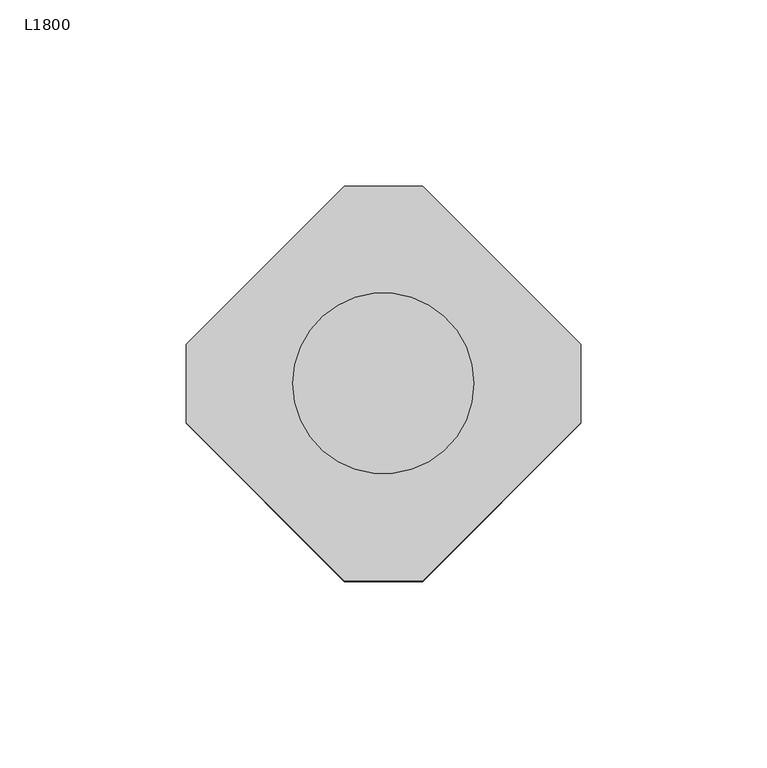
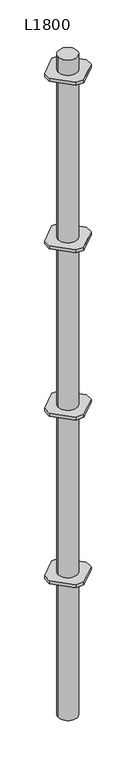
"""IFC4 building model written with IfcOpenShell, lengths in millimetres: proxy geometry, L1800."""

from ifc_helpers import new_model, si_unit, point, frame, origin, origin_with_axes, origin_2d, place, context, project, spatial, polyline, circle_curve, trimmed, segment, composite_curve, outline, extrude, source, transform, mapped, element, save


def l1800_95f7a7d6(model_context):
    return source(origin(), model_context, "Body", "SweptSolid", [
        extrude(outline(polyline([(10.5, 53.0), (53.0, 10.5), (53.0, -10.5), (10.5, -53.0), (-10.5, -53.0), (-53.0, -10.5), (-53.0, 10.5), (-10.5, 53.0), (10.5, 53.0)]), holes=[composite_curve([segment(trimmed(circle_curve(origin_2d(), 24.3), [point((-24.3, 0.0))], [point((24.3, 0.0))], True, "CARTESIAN"), True, "CONTINUOUS"), segment(trimmed(circle_curve(origin_2d(), 24.3), [point((24.3, 0.0))], [point((-24.3, 0.0))], True, "CARTESIAN"), True, "CONTINUOUS")], self_intersect=False)]), frame((0.0, 0.0, 1726.0), z_axis=(0.0, 0.0, 1.0), x_axis=(1.0, 0.0, 0.0)), (0.0, 0.0, 1.0), 8.0),
        extrude(outline(polyline([(10.5, 53.0), (53.0, 10.5), (53.0, -10.5), (10.5, -53.0), (-10.5, -53.0), (-53.0, -10.5), (-53.0, 10.5), (-10.5, 53.0), (10.5, 53.0)]), holes=[composite_curve([segment(trimmed(circle_curve(origin_2d(), 24.3), [point((-24.3, 0.0))], [point((24.3, 0.0))], True, "CARTESIAN"), True, "CONTINUOUS"), segment(trimmed(circle_curve(origin_2d(), 24.3), [point((24.3, 0.0))], [point((-24.3, 0.0))], True, "CARTESIAN"), True, "CONTINUOUS")], self_intersect=False)]), frame((0.0, 0.0, 1276.0), z_axis=(0.0, 0.0, 1.0), x_axis=(1.0, 0.0, 0.0)), (0.0, 0.0, 1.0), 8.0),
        extrude(outline(polyline([(10.5, 53.0), (53.0, 10.5), (53.0, -10.5), (10.5, -53.0), (-10.5, -53.0), (-53.0, -10.5), (-53.0, 10.5), (-10.5, 53.0), (10.5, 53.0)]), holes=[composite_curve([segment(trimmed(circle_curve(origin_2d(), 24.3), [point((-24.3, 0.0))], [point((24.3, 0.0))], True, "CARTESIAN"), True, "CONTINUOUS"), segment(trimmed(circle_curve(origin_2d(), 24.3), [point((24.3, 0.0))], [point((-24.3, 0.0))], True, "CARTESIAN"), True, "CONTINUOUS")], self_intersect=False)]), frame((0.0, 0.0, 826.0), z_axis=(0.0, 0.0, 1.0), x_axis=(1.0, 0.0, 0.0)), (0.0, 0.0, 1.0), 8.0),
        extrude(outline(polyline([(10.5, 53.0), (53.0, 10.5), (53.0, -10.5), (10.5, -53.0), (-10.5, -53.0), (-53.0, -10.5), (-53.0, 10.5), (-10.5, 53.0), (10.5, 53.0)]), holes=[composite_curve([segment(trimmed(circle_curve(origin_2d(), 24.3), [point((-24.3, 0.0))], [point((24.3, 0.0))], True, "CARTESIAN"), True, "CONTINUOUS"), segment(trimmed(circle_curve(origin_2d(), 24.3), [point((24.3, 0.0))], [point((-24.3, 0.0))], True, "CARTESIAN"), True, "CONTINUOUS")], self_intersect=False)]), frame((0.0, 0.0, 376.0), z_axis=(0.0, 0.0, 1.0), x_axis=(1.0, 0.0, 0.0)), (0.0, 0.0, 1.0), 8.0),
        extrude(outline(polyline([(10.5, 53.0), (53.0, 10.5), (53.0, -10.5), (10.5, -53.0), (-10.5, -53.0), (-53.0, -10.5), (-53.0, 10.5), (-10.5, 53.0), (10.5, 53.0)]), holes=[composite_curve([segment(trimmed(circle_curve(origin_2d(), 24.3), [point((-24.3, 0.0))], [point((24.3, 0.0))], True, "CARTESIAN"), True, "CONTINUOUS"), segment(trimmed(circle_curve(origin_2d(), 24.3), [point((24.3, 0.0))], [point((-24.3, 0.0))], True, "CARTESIAN"), True, "CONTINUOUS")], self_intersect=False)]), frame((0.0, 0.0, 376.0), z_axis=(0.0, 0.0, 1.0), x_axis=(1.0, 0.0, 0.0)), (0.0, 0.0, 1.0), 8.0),
        extrude(outline(composite_curve([segment(trimmed(circle_curve(origin_2d(), 24.3), [point((-24.3, 0.0))], [point((24.3, 0.0))], False, "CARTESIAN"), True, "CONTINUOUS"), segment(trimmed(circle_curve(origin_2d(), 24.3), [point((24.3, 0.0))], [point((-24.3, 0.0))], False, "CARTESIAN"), True, "CONTINUOUS")], self_intersect=False)), origin_with_axes(), (0.0, 0.0, 1.0), 1775.0),
    ])


if __name__ == "__main__":
    model = new_model("IFC4")
    model_context = context("Model", 3, world=origin())
    ifc_project = project(units=[si_unit("LENGTHUNIT", "METRE", prefix="MILLI")], contexts=[model_context])
    site = spatial("IfcSite", under=ifc_project)
    building = spatial("IfcBuilding", under=site)
    placement = place(None, origin())
    l1800_shape = l1800_95f7a7d6(model_context)
    element("IfcBuildingElementProxy", 1, Name="L1800", ObjectType="L1800", at=placement, inside=building, context=model_context, shape_type="MappedRepresentation", body=[
        mapped(l1800_shape, transform((0.0, 0.0, 0.0), x_axis=(1.0, 0.0, 0.0), y_axis=(0.0, 1.0, 0.0), z_axis=(0.0, 0.0, 1.0))),
    ])
    save(model, "model.ifc")
